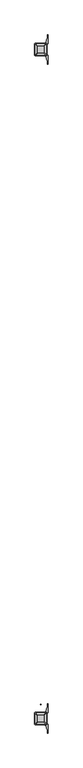
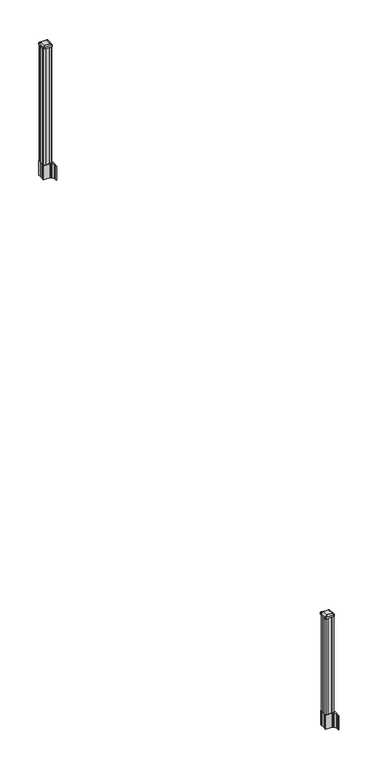
"""IFC4 building model written with IfcOpenShell, lengths in millimetres: railing geometry."""

from ifc_helpers import new_model, si_unit, point, frame, frame_2d, origin, place, context, project, spatial, polyline, circle_curve, trimmed, segment, composite_curve, outline, extrude, source, transform, mapped, element, save
from ifc_brep_helpers import plane_surface, extruded_surface, advanced_brep


def railing_803a4342(model_context):
    return source(origin(), model_context, "Body", "SolidModel", [
        extrude(outline(composite_curve([segment(trimmed(circle_curve(frame_2d((7312.0657728, -87394.9628453)), 1.5875), [point((7310.4782728, -87394.9628453))], [point((7312.0657728, -87393.3753453))], False, "CARTESIAN"), True, "CONTINUOUS"), segment(trimmed(circle_curve(frame_2d((7312.0657728, -87394.9628453)), 1.5875), [point((7312.0657728, -87393.3753453))], [point((7313.6532728, -87394.9628453))], False, "CARTESIAN"), True, "CONTINUOUS"), segment(trimmed(circle_curve(frame_2d((7312.0657728, -87394.9628453)), 1.5875), [point((7313.6532728, -87394.9628453))], [point((7312.0657728, -87396.5503453))], False, "CARTESIAN"), True, "CONTINUOUS"), segment(trimmed(circle_curve(frame_2d((7312.0657728, -87394.9628453)), 1.5875), [point((7312.0657728, -87396.5503453))], [point((7310.4782728, -87394.9628453))], False, "CARTESIAN"), True, "CONTINUOUS")], self_intersect=False)), frame((0.0, 0.0, 331.7833781), z_axis=(0.0, 0.0, 1.0), x_axis=(1.0, 0.0, 0.0)), (0.0, 0.0, 1.0), 812.8041219),
        extrude(outline(polyline([(7351.7532728, -82581.5358453), (7332.1317728, -82581.5358453), (7331.3697728, -82579.9483453), (7292.7617728, -82579.9483453), (7291.9997728, -82581.5358453), (7272.3782728, -82581.5358453), (7270.7907728, -82579.9483453), (7270.7907728, -82560.3268453), (7272.3782728, -82559.5648453), (7272.3782728, -82520.9568453), (7270.7907728, -82520.1948453), (7270.7907728, -82500.5733453), (7272.3782728, -82498.9858453), (7291.9997728, -82498.9858453), (7292.7617728, -82500.5733453), (7331.3697728, -82500.5733453), (7332.1317728, -82498.9858453), (7351.7532728, -82498.9858453), (7353.3407728, -82500.5733453), (7353.3407728, -82520.1948453), (7351.7532728, -82520.9568453), (7351.7532728, -82559.5648453), (7353.3407728, -82560.3268453), (7353.3407728, -82579.9483453), (7351.7532728, -82581.5358453)])), frame((0.0, 0.0, 3048.0), z_axis=(0.0, 0.0, 1.0), x_axis=(1.0, 0.0, 0.0)), (0.0, 0.0, 1.0), 1247.740513),
        extrude(outline(composite_curve([segment(polyline([(7269.3302728, -82557.6469401), (7269.3302728, -82522.8747504), (7267.7427728, -82522.1127504), (7267.7427728, -82499.3108224), (7271.1157498, -82495.9378453), (7332.5754206, -82495.9378453), (7332.5754206, -82495.0170953), (7337.8929645, -82495.0170953), (7337.8929645, -82493.5628406), (7342.9774942, -82493.5628406), (7342.9774942, -82492.2788168), (7344.6447665, -82492.2788168)]), True, "CONTINUOUS"), segment(trimmed(circle_curve(frame_2d((7344.6447665, -82485.2193569)), 7.0594599), [point((7344.6447665, -82492.2788168))], [point((7351.4120293, -82487.2293636))], True, "CARTESIAN"), True, "CONTINUOUS"), segment(polyline([(7351.4120293, -82487.2293636), (7359.2862236, -82460.7186345)]), True, "CONTINUOUS"), segment(trimmed(circle_curve(frame_2d((7304.5017103, -82444.4465848)), 57.15), [point((7359.2862236, -82460.7186345))], [point((7361.6517103, -82444.4465848))], True, "CARTESIAN"), True, "CONTINUOUS"), segment(polyline([(7361.6517103, -82444.4465848), (7361.6517103, -82432.4378453), (7364.6517103, -82432.4378453), (7364.6517103, -82497.5253453), (7356.3887728, -82508.8636366), (7356.3887728, -82522.1127504), (7354.8012728, -82522.8747504), (7354.8012728, -82557.6469401), (7356.3887728, -82558.4089401), (7356.3887728, -82571.658054), (7364.6517103, -82582.9963453), (7364.6517103, -82648.0838453), (7361.6517103, -82648.0838453), (7361.6517103, -82636.0751057)]), True, "CONTINUOUS"), segment(trimmed(circle_curve(frame_2d((7304.5017103, -82636.0751057)), 57.15), [point((7361.6517103, -82636.0751057))], [point((7359.2862236, -82619.8030561))], True, "CARTESIAN"), True, "CONTINUOUS"), segment(polyline([(7359.2862236, -82619.8030561), (7351.4120293, -82593.292327)]), True, "CONTINUOUS"), segment(trimmed(circle_curve(frame_2d((7344.6447665, -82595.3023337)), 7.0594599), [point((7351.4120293, -82593.292327))], [point((7344.6447665, -82588.2428738))], True, "CARTESIAN"), True, "CONTINUOUS"), segment(polyline([(7344.6447665, -82588.2428738), (7342.9774942, -82588.2428738), (7342.9774942, -82586.95885), (7337.8929645, -82586.95885), (7337.8929645, -82585.5045953), (7332.5754206, -82585.5045953), (7332.5754206, -82584.5838453), (7271.1157498, -82584.5838453), (7267.7427728, -82581.2108682), (7267.7427728, -82558.4089401), (7269.3302728, -82557.6469401)]), True, "CONTINUOUS")], self_intersect=False), holes=[polyline([(7353.3407728, -82500.5733453), (7351.7532728, -82498.9858453), (7314.8289902, -82498.9858453), (7272.3782728, -82498.9858453), (7270.7907728, -82500.5733453), (7270.7907728, -82579.9483453), (7272.3782728, -82581.5358453), (7314.8289902, -82581.5358453), (7351.7532728, -82581.5358453), (7353.3407728, -82579.9483453), (7353.3407728, -82500.5733453)])]), frame((0.0, 0.0, 2895.6), z_axis=(0.0, 0.0, 1.0), x_axis=(1.0, 0.0, 0.0)), (0.0, 0.0, 1.0), 152.4),
        advanced_brep(
        [(7337.8626478, -82569.2327203, 4324.315513), (7341.0376478, -82566.0577203, 4324.315513), (7341.0376478, -82514.4639703, 4324.315513), (7337.8626478, -82511.2889703, 4324.315513), (7286.2688978, -82511.2889703, 4324.315513), (7283.0938978, -82514.4639703, 4324.315513), (7283.0938978, -82566.0577203, 4324.315513), (7286.2688978, -82569.2327203, 4324.315513), (7354.1345228, -82585.5045953, 4313.012513), (7269.9970228, -82585.5045953, 4313.012513), (7266.8220228, -82582.3295953, 4313.012513), (7266.8220228, -82498.1920953, 4313.012513), (7269.9970228, -82495.0170953, 4313.012513), (7354.1345228, -82495.0170953, 4313.012513), (7357.3095228, -82498.1920953, 4313.012513), (7357.3095228, -82582.3295953, 4313.012513)],
        [
            (0, 1, circle_curve(frame((7337.8626478, -82566.0577203, 4324.315513), z_axis=(0.0, 0.0, 1.0), x_axis=(0.0, 1.0, 0.0)), 3.175)),
            (1, 2),
            (2, 3, circle_curve(frame((7337.8626478, -82514.4639703, 4324.315513), z_axis=(0.0, 0.0, 1.0), x_axis=(0.0, 1.0, 0.0)), 3.175)),
            (3, 4),
            (4, 5, circle_curve(frame((7286.2688978, -82514.4639703, 4324.315513), z_axis=(0.0, 0.0, 1.0), x_axis=(0.0, 1.0, 0.0)), 3.175)),
            (5, 6),
            (6, 7, circle_curve(frame((7286.2688978, -82566.0577203, 4324.315513), z_axis=(0.0, 0.0, 1.0), x_axis=(0.0, 1.0, 0.0)), 3.175)),
            (7, 0),
            (8, 9),
            (9, 10, circle_curve(frame((7269.9970228, -82582.3295953, 4313.012513), z_axis=(0.0, 0.0, -1.0), x_axis=(0.0, 1.0, 0.0)), 3.175)),
            (10, 11),
            (11, 12, circle_curve(frame((7269.9970228, -82498.1920953, 4313.012513), z_axis=(0.0, 0.0, -1.0), x_axis=(0.0, 1.0, 0.0)), 3.175)),
            (12, 13),
            (13, 14, circle_curve(frame((7354.1345228, -82498.1920953, 4313.012513), z_axis=(0.0, 0.0, -1.0), x_axis=(0.0, 1.0, 0.0)), 3.175)),
            (14, 15),
            (15, 8, circle_curve(frame((7354.1345228, -82582.3295953, 4313.012513), z_axis=(0.0, 0.0, -1.0), x_axis=(0.0, 1.0, 0.0)), 3.175)),
            (15, 1),
            (0, 8),
            (14, 2),
            (13, 3),
            (12, 4),
            (11, 5),
            (10, 6),
            (9, 7),
        ],
        [
            plane_surface(frame((7312.0657728, -82540.2608453, 4324.315513), z_axis=(0.0, 0.0, 1.0), x_axis=(1.0, 0.0, 0.0))),
            plane_surface(frame((7312.0657728, -82540.2608453, 4313.012513), z_axis=(0.0, 0.0, -1.0), x_axis=(1.0, 0.0, 0.0))),
            extruded_surface(trimmed(circle_curve(frame((7354.1345228, -82582.3295953, 4313.012513), z_axis=(0.0, 0.0, 1.0), x_axis=(0.0, 1.0, 0.0)), 3.175), [point((7354.1345228, -82585.5045953, 4313.012513))], [point((7357.3095228, -82582.3295953, 4313.012513))], True, "CARTESIAN"), (-16.271875000000364, 16.27187500000582, 11.302999999999884), 25.637972638870036),
            plane_surface(frame((7357.3095228, -82540.2608453, 4313.012513), z_axis=(0.5705009161540687, 0.0, 0.8212969649690472), x_axis=(0.0, 1.0, 0.0))),
            extruded_surface(trimmed(circle_curve(frame((7354.1345228, -82498.1920953, 4313.012513), z_axis=(0.0, 0.0, 1.0), x_axis=(0.0, 1.0, 0.0)), 3.175), [point((7357.3095228, -82498.1920953, 4313.012513))], [point((7354.1345228, -82495.0170953, 4313.012513))], True, "CARTESIAN"), (-16.271875000000364, -16.27187500000582, 11.302999999999884), 25.637972638870036),
            plane_surface(frame((7312.0657728, -82495.0170953, 4313.012513), z_axis=(0.0, 0.5705009161540291, 0.8212969649690747), x_axis=(-1.0, 0.0, 0.0))),
            extruded_surface(trimmed(circle_curve(frame((7269.9970228, -82498.1920953, 4313.012513), z_axis=(0.0, 0.0, 1.0), x_axis=(0.0, 1.0, 0.0)), 3.175), [point((7269.9970228, -82495.0170953, 4313.012513))], [point((7266.8220228, -82498.1920953, 4313.012513))], True, "CARTESIAN"), (16.271874999999454, -16.27187500000582, 11.302999999999884), 25.63797263886946),
            plane_surface(frame((7266.8220228, -82540.2608453, 4313.012513), z_axis=(-0.5705009161540233, 0.0, 0.8212969649690787), x_axis=(0.0, -1.0, 0.0))),
            extruded_surface(trimmed(circle_curve(frame((7269.9970228, -82582.3295953, 4313.012513), z_axis=(0.0, 0.0, 1.0), x_axis=(0.0, 1.0, 0.0)), 3.175), [point((7266.8220228, -82582.3295953, 4313.012513))], [point((7269.9970228, -82585.5045953, 4313.012513))], True, "CARTESIAN"), (16.271874999999454, 16.27187500000582, 11.302999999999884), 25.63797263886946),
            plane_surface(frame((7312.0657728, -82585.5045953, 4313.012513), z_axis=(0.0, -0.570500916154034, 0.8212969649690713), x_axis=(1.0, 0.0, 0.0))),
        ],
        [
            (0, [[1, 2, 3, 4, 5, 6, 7, 8]]),
            (1, [[9, 10, 11, 12, 13, 14, 15, 16]]),
            (2, [[-16, 17, -1, 18]]),
            (3, [[-15, 19, -2, -17]]),
            (4, [[-14, 20, -3, -19]]),
            (5, [[-13, 21, -4, -20]]),
            (6, [[-12, 22, -5, -21]]),
            (7, [[-11, 23, -6, -22]]),
            (8, [[-10, 24, -7, -23]]),
            (9, [[-9, -18, -8, -24]]),
        ],
    ),
        extrude(outline(composite_curve([segment(polyline([(7354.1345228, -82585.5045953), (7269.9970228, -82585.5045953)]), True, "CONTINUOUS"), segment(trimmed(circle_curve(frame_2d((7269.9970228, -82582.3295953)), 3.175), [point((7269.9970228, -82585.5045953))], [point((7266.8220228, -82582.3295953))], False, "CARTESIAN"), True, "CONTINUOUS"), segment(polyline([(7266.8220228, -82582.3295953), (7266.8220228, -82498.1920953)]), True, "CONTINUOUS"), segment(trimmed(circle_curve(frame_2d((7269.9970228, -82498.1920953)), 3.175), [point((7266.8220228, -82498.1920953))], [point((7269.9970228, -82495.0170953))], False, "CARTESIAN"), True, "CONTINUOUS"), segment(polyline([(7269.9970228, -82495.0170953), (7354.1345228, -82495.0170953)]), True, "CONTINUOUS"), segment(trimmed(circle_curve(frame_2d((7354.1345228, -82498.1920953)), 3.175), [point((7354.1345228, -82495.0170953))], [point((7357.3095228, -82498.1920953))], False, "CARTESIAN"), True, "CONTINUOUS"), segment(polyline([(7357.3095228, -82498.1920953), (7357.3095228, -82582.3295953)]), True, "CONTINUOUS"), segment(trimmed(circle_curve(frame_2d((7354.1345228, -82582.3295953)), 3.175), [point((7357.3095228, -82582.3295953))], [point((7354.1345228, -82585.5045953))], False, "CARTESIAN"), True, "CONTINUOUS")], self_intersect=False)), frame((0.0, 0.0, 4295.740513), z_axis=(0.0, 0.0, 1.0), x_axis=(1.0, 0.0, 0.0)), (0.0, 0.0, 1.0), 17.272),
        extrude(outline(composite_curve([segment(polyline([(7269.3302728, -87517.2509401), (7269.3302728, -87482.4787504), (7267.7427728, -87481.7167504), (7267.7427728, -87458.9148224), (7271.1157498, -87455.5418453), (7332.5754206, -87455.5418453), (7332.5754206, -87454.6210953), (7337.8929645, -87454.6210953), (7337.8929645, -87453.1668406), (7342.9774942, -87453.1668406), (7342.9774942, -87451.8828168), (7344.6447665, -87451.8828168)]), True, "CONTINUOUS"), segment(trimmed(circle_curve(frame_2d((7344.6447665, -87444.8233569)), 7.0594599), [point((7344.6447665, -87451.8828168))], [point((7351.4120293, -87446.8333636))], True, "CARTESIAN"), True, "CONTINUOUS"), segment(polyline([(7351.4120293, -87446.8333636), (7359.2862236, -87420.3226345)]), True, "CONTINUOUS"), segment(trimmed(circle_curve(frame_2d((7304.5017103, -87404.0505848)), 57.15), [point((7359.2862236, -87420.3226345))], [point((7361.6517103, -87404.0505848))], True, "CARTESIAN"), True, "CONTINUOUS"), segment(polyline([(7361.6517103, -87404.0505848), (7361.6517103, -87392.0418453), (7364.6517103, -87392.0418453), (7364.6517103, -87457.1293453), (7356.3887728, -87468.4676366), (7356.3887728, -87481.7167504), (7354.8012728, -87482.4787504), (7354.8012728, -87517.2509401), (7356.3887728, -87518.0129401), (7356.3887728, -87531.262054), (7364.6517103, -87542.6003453), (7364.6517103, -87607.6878453), (7361.6517103, -87607.6878453), (7361.6517103, -87595.6791057)]), True, "CONTINUOUS"), segment(trimmed(circle_curve(frame_2d((7304.5017103, -87595.6791057)), 57.15), [point((7361.6517103, -87595.6791057))], [point((7359.2862236, -87579.4070561))], True, "CARTESIAN"), True, "CONTINUOUS"), segment(polyline([(7359.2862236, -87579.4070561), (7351.4120293, -87552.896327)]), True, "CONTINUOUS"), segment(trimmed(circle_curve(frame_2d((7344.6447665, -87554.9063337)), 7.0594599), [point((7351.4120293, -87552.896327))], [point((7344.6447665, -87547.8468738))], True, "CARTESIAN"), True, "CONTINUOUS"), segment(polyline([(7344.6447665, -87547.8468738), (7342.9774942, -87547.8468738), (7342.9774942, -87546.56285), (7337.8929645, -87546.56285), (7337.8929645, -87545.1085953), (7332.5754206, -87545.1085953), (7332.5754206, -87544.1878453), (7271.1157498, -87544.1878453), (7267.7427728, -87540.8148682), (7267.7427728, -87518.0129401), (7269.3302728, -87517.2509401)]), True, "CONTINUOUS")], self_intersect=False), holes=[polyline([(7353.3407728, -87460.1773453), (7351.7532728, -87458.5898453), (7314.8289902, -87458.5898453), (7272.3782728, -87458.5898453), (7270.7907728, -87460.1773453), (7270.7907728, -87539.5523453), (7272.3782728, -87541.1398453), (7314.8289902, -87541.1398453), (7351.7532728, -87541.1398453), (7353.3407728, -87539.5523453), (7353.3407728, -87460.1773453)])]), frame((0.0, 0.0, 12.22375), z_axis=(0.0, 0.0, 1.0), x_axis=(1.0, 0.0, 0.0)), (0.0, 0.0, 1.0), 152.4),
        advanced_brep(
        [(7337.8626478, -87528.8367203, 1224.563013), (7341.0376478, -87525.6617203, 1224.563013), (7341.0376478, -87474.0679703, 1224.563013), (7337.8626478, -87470.8929703, 1224.563013), (7286.2688978, -87470.8929703, 1224.563013), (7283.0938978, -87474.0679703, 1224.563013), (7283.0938978, -87525.6617203, 1224.563013), (7286.2688978, -87528.8367203, 1224.563013), (7354.1345228, -87545.1085953, 1213.260013), (7269.9970228, -87545.1085953, 1213.260013), (7266.8220228, -87541.9335953, 1213.260013), (7266.8220228, -87457.7960953, 1213.260013), (7269.9970228, -87454.6210953, 1213.260013), (7354.1345228, -87454.6210953, 1213.260013), (7357.3095228, -87457.7960953, 1213.260013), (7357.3095228, -87541.9335953, 1213.260013)],
        [
            (0, 1, circle_curve(frame((7337.8626478, -87525.6617203, 1224.563013), z_axis=(0.0, 0.0, 1.0), x_axis=(0.0, 1.0, 0.0)), 3.175)),
            (1, 2),
            (2, 3, circle_curve(frame((7337.8626478, -87474.0679703, 1224.563013), z_axis=(0.0, 0.0, 1.0), x_axis=(0.0, 1.0, 0.0)), 3.175)),
            (3, 4),
            (4, 5, circle_curve(frame((7286.2688978, -87474.0679703, 1224.563013), z_axis=(0.0, 0.0, 1.0), x_axis=(0.0, 1.0, 0.0)), 3.175)),
            (5, 6),
            (6, 7, circle_curve(frame((7286.2688978, -87525.6617203, 1224.563013), z_axis=(0.0, 0.0, 1.0), x_axis=(0.0, 1.0, 0.0)), 3.175)),
            (7, 0),
            (8, 9),
            (9, 10, circle_curve(frame((7269.9970228, -87541.9335953, 1213.260013), z_axis=(0.0, 0.0, -1.0), x_axis=(0.0, 1.0, 0.0)), 3.175)),
            (10, 11),
            (11, 12, circle_curve(frame((7269.9970228, -87457.7960953, 1213.260013), z_axis=(0.0, 0.0, -1.0), x_axis=(0.0, 1.0, 0.0)), 3.175)),
            (12, 13),
            (13, 14, circle_curve(frame((7354.1345228, -87457.7960953, 1213.260013), z_axis=(0.0, 0.0, -1.0), x_axis=(0.0, 1.0, 0.0)), 3.175)),
            (14, 15),
            (15, 8, circle_curve(frame((7354.1345228, -87541.9335953, 1213.260013), z_axis=(0.0, 0.0, -1.0), x_axis=(0.0, 1.0, 0.0)), 3.175)),
            (15, 1),
            (0, 8),
            (14, 2),
            (13, 3),
            (12, 4),
            (11, 5),
            (10, 6),
            (9, 7),
        ],
        [
            plane_surface(frame((7312.0657728, -87499.8648453, 1224.563013), z_axis=(0.0, 0.0, 1.0), x_axis=(1.0, 0.0, 0.0))),
            plane_surface(frame((7312.0657728, -87499.8648453, 1213.260013), z_axis=(0.0, 0.0, -1.0), x_axis=(1.0, 0.0, 0.0))),
            extruded_surface(trimmed(circle_curve(frame((7354.1345228, -87541.9335953, 1213.260013), z_axis=(0.0, 0.0, 1.0), x_axis=(0.0, 1.0, 0.0)), 3.175), [point((7354.1345228, -87545.1085953, 1213.260013))], [point((7357.3095228, -87541.9335953, 1213.260013))], True, "CARTESIAN"), (-16.271875000000364, 16.27187499999127, 11.302999999999884), 25.637972638860802),
            plane_surface(frame((7357.3095228, -87499.8648453, 1213.260013), z_axis=(0.5705009161540778, 0.0, 0.8212969649690408), x_axis=(0.0, 1.0, 0.0))),
            extruded_surface(trimmed(circle_curve(frame((7354.1345228, -87457.7960953, 1213.260013), z_axis=(0.0, 0.0, 1.0), x_axis=(0.0, 1.0, 0.0)), 3.175), [point((7357.3095228, -87457.7960953, 1213.260013))], [point((7354.1345228, -87454.6210953, 1213.260013))], True, "CARTESIAN"), (-16.271875000000364, -16.27187500000582, 11.302999999999884), 25.637972638870036),
            plane_surface(frame((7312.0657728, -87454.6210953, 1213.260013), z_axis=(0.0, 0.5705009161540291, 0.8212969649690747), x_axis=(-1.0, 0.0, 0.0))),
            extruded_surface(trimmed(circle_curve(frame((7269.9970228, -87457.7960953, 1213.260013), z_axis=(0.0, 0.0, 1.0), x_axis=(0.0, 1.0, 0.0)), 3.175), [point((7269.9970228, -87454.6210953, 1213.260013))], [point((7266.8220228, -87457.7960953, 1213.260013))], True, "CARTESIAN"), (16.271874999999454, -16.27187500000582, 11.302999999999884), 25.63797263886946),
            plane_surface(frame((7266.8220228, -87499.8648453, 1213.260013), z_axis=(-0.5705009161540142, 0.0, 0.8212969649690851), x_axis=(0.0, -1.0, 0.0))),
            extruded_surface(trimmed(circle_curve(frame((7269.9970228, -87541.9335953, 1213.260013), z_axis=(0.0, 0.0, 1.0), x_axis=(0.0, 1.0, 0.0)), 3.175), [point((7266.8220228, -87541.9335953, 1213.260013))], [point((7269.9970228, -87545.1085953, 1213.260013))], True, "CARTESIAN"), (16.271874999999454, 16.27187499999127, 11.302999999999884), 25.637972638860223),
            plane_surface(frame((7312.0657728, -87545.1085953, 1213.260013), z_axis=(0.0, -0.570500916154034, 0.8212969649690713), x_axis=(1.0, 0.0, 0.0))),
        ],
        [
            (0, [[1, 2, 3, 4, 5, 6, 7, 8]]),
            (1, [[9, 10, 11, 12, 13, 14, 15, 16]]),
            (2, [[-16, 17, -1, 18]]),
            (3, [[-15, 19, -2, -17]]),
            (4, [[-14, 20, -3, -19]]),
            (5, [[-13, 21, -4, -20]]),
            (6, [[-12, 22, -5, -21]]),
            (7, [[-11, 23, -6, -22]]),
            (8, [[-10, 24, -7, -23]]),
            (9, [[-9, -18, -8, -24]]),
        ],
    ),
        extrude(outline(composite_curve([segment(polyline([(7354.1345228, -87545.1085953), (7269.9970228, -87545.1085953)]), True, "CONTINUOUS"), segment(trimmed(circle_curve(frame_2d((7269.9970228, -87541.9335953)), 3.175), [point((7269.9970228, -87545.1085953))], [point((7266.8220228, -87541.9335953))], False, "CARTESIAN"), True, "CONTINUOUS"), segment(polyline([(7266.8220228, -87541.9335953), (7266.8220228, -87457.7960953)]), True, "CONTINUOUS"), segment(trimmed(circle_curve(frame_2d((7269.9970228, -87457.7960953)), 3.175), [point((7266.8220228, -87457.7960953))], [point((7269.9970228, -87454.6210953))], False, "CARTESIAN"), True, "CONTINUOUS"), segment(polyline([(7269.9970228, -87454.6210953), (7354.1345228, -87454.6210953)]), True, "CONTINUOUS"), segment(trimmed(circle_curve(frame_2d((7354.1345228, -87457.7960953)), 3.175), [point((7354.1345228, -87454.6210953))], [point((7357.3095228, -87457.7960953))], False, "CARTESIAN"), True, "CONTINUOUS"), segment(polyline([(7357.3095228, -87457.7960953), (7357.3095228, -87541.9335953)]), True, "CONTINUOUS"), segment(trimmed(circle_curve(frame_2d((7354.1345228, -87541.9335953)), 3.175), [point((7357.3095228, -87541.9335953))], [point((7354.1345228, -87545.1085953))], False, "CARTESIAN"), True, "CONTINUOUS")], self_intersect=False)), frame((0.0, 0.0, 1195.988013), z_axis=(0.0, 0.0, 1.0), x_axis=(1.0, 0.0, 0.0)), (0.0, 0.0, 1.0), 17.272),
        extrude(outline(polyline([(7351.7532728, -87541.1398453), (7332.1317728, -87541.1398453), (7331.3697728, -87539.5523453), (7292.7617728, -87539.5523453), (7291.9997728, -87541.1398453), (7272.3782728, -87541.1398453), (7270.7907728, -87539.5523453), (7270.7907728, -87519.9308453), (7272.3782728, -87519.1688453), (7272.3782728, -87480.5608453), (7270.7907728, -87479.7988453), (7270.7907728, -87460.1773453), (7272.3782728, -87458.5898453), (7291.9997728, -87458.5898453), (7292.7617728, -87460.1773453), (7331.3697728, -87460.1773453), (7332.1317728, -87458.5898453), (7351.7532728, -87458.5898453), (7353.3407728, -87460.1773453), (7353.3407728, -87479.7988453), (7351.7532728, -87480.5608453), (7351.7532728, -87519.1688453), (7353.3407728, -87519.9308453), (7353.3407728, -87539.5523453), (7351.7532728, -87541.1398453)])), frame((0.0, 0.0, 164.62375), z_axis=(0.0, 0.0, 1.0), x_axis=(1.0, 0.0, 0.0)), (0.0, 0.0, 1.0), 1031.364263),
    ])


if __name__ == "__main__":
    model = new_model("IFC4")
    model_context = context("Model", 3, world=origin())
    ifc_project = project(units=[si_unit("LENGTHUNIT", "METRE", prefix="MILLI")], contexts=[model_context])
    site = spatial("IfcSite", under=ifc_project)
    building = spatial("IfcBuilding", under=site)
    placement = place(None, origin())
    railing_shape = railing_803a4342(model_context)
    element("IfcRailing", 1, at=placement, inside=building, context=model_context, shape_type="MappedRepresentation", body=[
        mapped(railing_shape, transform((0.0, 0.0, 0.0), x_axis=(1.0, 0.0, 0.0), y_axis=(0.0, 1.0, 0.0), z_axis=(0.0, 0.0, 1.0))),
    ])
    save(model, "model.ifc")
